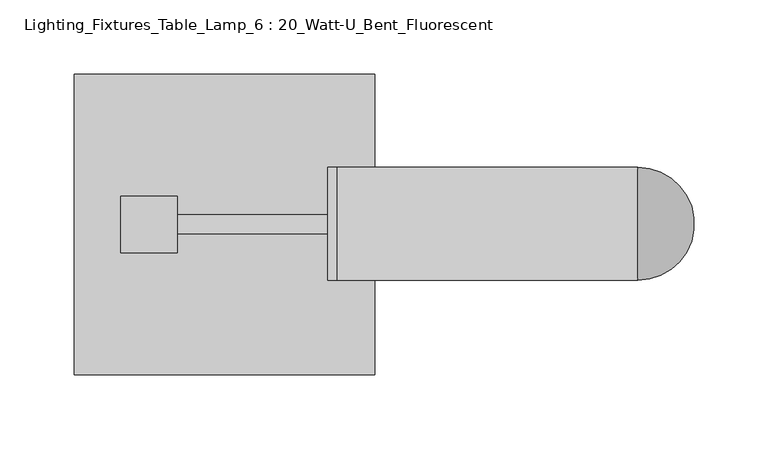
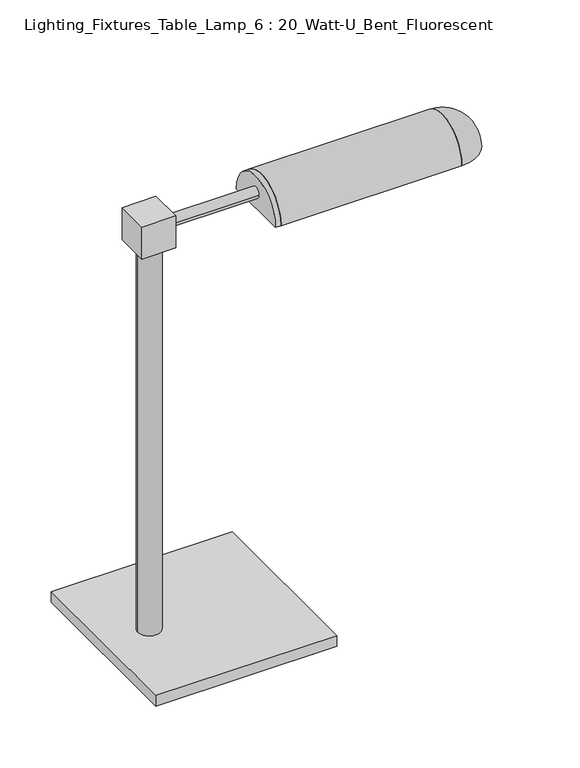
"""IFC4 building model written with IfcOpenShell, lengths in millimetres: light fixture geometry, Lighting_Fixtures_Table_Lamp_6 : 20_Watt-U_Bent_Fluorescent."""

import ifcopenshell
import ifcopenshell.guid

model = None  # the IFC model being written
_history = None  # IfcOwnerHistory: only IFC2X3 demands one
_inside = {}  # id of a spatial element -> (the spatial element, [elements in it])
_under = {}  # id of a project, library or spatial element -> (it, [spatial elements below it])
_declared = {}  # id of a project -> (the project, [libraries it declares])
_typed = {}  # id of a type object -> (the type object, [elements of that type])
_made_of = {}  # id of a material, layer set ... -> (it, [elements and type objects made of it])


def new_model(schema):
    """Start an empty IFC model of exactly this schema.

    Asked for "IFC4X3", IfcOpenShell would pick the latest addendum, in which some entities
    have other attributes; the version numbers below select the first issue.
    IFC2X3 requires an IfcOwnerHistory on every rooted entity: one is made here for all.
    """
    global model, _history
    if schema == "IFC4X3":
        model = ifcopenshell.file(schema_version=(4, 3, 0, 0))
    else:
        model = ifcopenshell.file(schema=schema)
    _inside.clear()
    _under.clear()
    _declared.clear()
    _typed.clear()
    _made_of.clear()
    _history = None
    if model.schema == "IFC2X3":
        org = make("IfcOrganization", Name="unknown")
        user = make(
            "IfcPersonAndOrganization",
            ThePerson=make("IfcPerson", FamilyName="unknown"),
            TheOrganization=org,
        )
        app = make(
            "IfcApplication",
            ApplicationDeveloper=org,
            Version="unknown",
            ApplicationFullName="unknown",
            ApplicationIdentifier="unknown",
        )
        _history = make(
            "IfcOwnerHistory",
            OwningUser=user,
            OwningApplication=app,
            ChangeAction="ADDED",
            CreationDate=0,
        )
    return model


def make(cls, **values):
    """One entity of the class cls with the attributes given. An attribute that is None is left unset."""
    return model.create_entity(
        cls, **{name: value for name, value in values.items() if value is not None}
    )


def rooted(cls, **values):
    """An entity with a GlobalId (a new one), such as an element, a storey or a relation."""
    return make(cls, GlobalId=ifcopenshell.guid.new(), OwnerHistory=_history, **values)


def si_unit(unit_type, name, prefix=None):
    """IfcSIUnit, for example si_unit("LENGTHUNIT", "METRE", prefix="MILLI")."""
    return make("IfcSIUnit", UnitType=unit_type, Prefix=prefix, Name=name)


def assignment(units):
    """IfcUnitAssignment: the units of a project."""
    return None if units is None else make("IfcUnitAssignment", Units=units)


def point(xyz):
    """IfcCartesianPoint."""
    return None if xyz is None else make("IfcCartesianPoint", Coordinates=xyz)


def direction(xyz):
    """IfcDirection."""
    return None if xyz is None else make("IfcDirection", DirectionRatios=xyz)


def frame(location, z_axis=None, x_axis=None):
    """IfcAxis2Placement3D, a coordinate frame: its origin and axes. An axis left out is left unset."""
    return make(
        "IfcAxis2Placement3D",
        Location=point(location),
        Axis=direction(z_axis),
        RefDirection=direction(x_axis),
    )


def frame_2d(location, x_axis=None):
    """IfcAxis2Placement2D, a coordinate frame in the plane: its origin and x axis."""
    return make(
        "IfcAxis2Placement2D", Location=point(location), RefDirection=direction(x_axis)
    )


def origin():
    """The frame at (0, 0, 0) with its axes left unset."""
    return frame((0.0, 0.0, 0.0))


def place(relative_to, where):
    """IfcLocalPlacement: puts the frame where relative to a parent placement (None: the world)."""
    return make(
        "IfcLocalPlacement", PlacementRelTo=relative_to, RelativePlacement=where
    )


def context(
    kind, dimensions, precision=None, world=None, true_north=None, identifier=None
):
    """IfcGeometricRepresentationContext, for example the 3D "Model" context."""
    return make(
        "IfcGeometricRepresentationContext",
        ContextIdentifier=identifier,
        ContextType=kind,
        CoordinateSpaceDimension=dimensions,
        Precision=precision,
        WorldCoordinateSystem=world,
        TrueNorth=true_north,
    )


def project(units=None, contexts=None):
    """IfcProject with its units and contexts."""
    return rooted(
        "IfcProject",
        Name="project",
        RepresentationContexts=contexts,
        UnitsInContext=assignment(units),
    )


def spatial(cls, under=None, at=None, **own):
    """A site, building, storey or space (cls), placed at a placement, below another one or the project."""
    s = rooted(cls, ObjectPlacement=at, **own)
    if under is not None:
        _under.setdefault(under.id(), (under, []))[1].append(s)
    return s


def polyline(points):
    """IfcPolyline through the points."""
    return make("IfcPolyline", Points=[point(p) for p in points])


def circle_curve(where, radius):
    """IfcCircle in the frame where."""
    return make("IfcCircle", Position=where, Radius=radius)


def ellipse_curve(where, semi_axis1, semi_axis2):
    """IfcEllipse in the frame where."""
    return make(
        "IfcEllipse", Position=where, SemiAxis1=semi_axis1, SemiAxis2=semi_axis2
    )


def trimmed(basis, trim1, trim2, sense, master):
    """IfcTrimmedCurve: the piece of a basis curve between two trims."""
    return make(
        "IfcTrimmedCurve",
        BasisCurve=basis,
        Trim1=trim1,
        Trim2=trim2,
        SenseAgreement=sense,
        MasterRepresentation=master,
    )


def segment(curve, same_sense, transition):
    """IfcCompositeCurveSegment."""
    return make(
        "IfcCompositeCurveSegment",
        Transition=transition,
        SameSense=same_sense,
        ParentCurve=curve,
    )


def composite_curve(segments, self_intersect=None):
    """IfcCompositeCurve: segments joined end to end."""
    return make("IfcCompositeCurve", Segments=segments, SelfIntersect=self_intersect)


def outline(outer, holes=None, kind="AREA"):
    """IfcArbitraryClosedProfileDef: a profile drawn as a closed curve; with holes, ...WithVoids."""
    if holes is None:
        return make("IfcArbitraryClosedProfileDef", ProfileType=kind, OuterCurve=outer)
    return make(
        "IfcArbitraryProfileDefWithVoids",
        ProfileType=kind,
        OuterCurve=outer,
        InnerCurves=holes,
    )


def extrude(swept, where, along, depth):
    """IfcExtrudedAreaSolid: the profile swept, set in the frame where, extruded along a direction by depth."""
    return make(
        "IfcExtrudedAreaSolid",
        SweptArea=swept,
        Position=where,
        ExtrudedDirection=direction(along),
        Depth=depth,
    )


def shape(context_of_items, identifier, shape_type, items):
    """IfcShapeRepresentation: the items that make up one representation, for example the "Body"."""
    return make(
        "IfcShapeRepresentation",
        ContextOfItems=context_of_items,
        RepresentationIdentifier=identifier,
        RepresentationType=shape_type,
        Items=items,
    )


def source(mapping_origin, context_of_items, identifier, shape_type, items):
    """IfcRepresentationMap: a shape defined once, which mapped items show again and again."""
    return make(
        "IfcRepresentationMap",
        MappingOrigin=mapping_origin,
        MappedRepresentation=shape(context_of_items, identifier, shape_type, items),
    )


def transform(
    local_origin,
    x_axis=None,
    y_axis=None,
    z_axis=None,
    scale=None,
    scale2=None,
    scale3=None,
    uniform=True,
):
    """IfcCartesianTransformationOperator3D, or its non-uniform kind. x_axis, y_axis, z_axis: its Axis1, 2, 3."""
    if uniform:
        return make(
            "IfcCartesianTransformationOperator3D",
            Axis1=direction(x_axis),
            Axis2=direction(y_axis),
            LocalOrigin=point(local_origin),
            Scale=scale,
            Axis3=direction(z_axis),
        )
    return make(
        "IfcCartesianTransformationOperator3DnonUniform",
        Axis1=direction(x_axis),
        Axis2=direction(y_axis),
        LocalOrigin=point(local_origin),
        Scale=scale,
        Axis3=direction(z_axis),
        Scale2=scale2,
        Scale3=scale3,
    )


def mapped(mapping_source, mapping_target):
    """IfcMappedItem: shows the shape of a source again, moved by a transform."""
    return make(
        "IfcMappedItem", MappingSource=mapping_source, MappingTarget=mapping_target
    )


def made_of(thing, what):
    """Note that an element or type object is made of a material, layer set ...; save() writes the relation."""
    if what is not None:
        _made_of.setdefault(what.id(), (what, []))[1].append(thing)
    return thing


def element(
    cls,
    number,
    at=None,
    inside=None,
    cuts=None,
    type_object=None,
    material=None,
    context=None,
    identifier="Body",
    shape_type=None,
    held_by="IfcProductDefinitionShape",
    body=None,
    shapes=None,
    **own,
):
    """One element of the class cls, such as IfcWall. Its Tag is "e" and its number.

    at: its placement. inside: the storey or other place that contains it. cuts: it is an
    opening in that element (IfcRelVoidsElement). A single representation is given by context,
    identifier, shape_type and body (its items); several are given by shapes. held_by: the class
    of the entity that holds the representations. save() writes the other relations.
    """
    e = rooted(cls, Tag="e%d" % number, ObjectPlacement=at, **own)
    if body is not None:
        shapes = [shape(context, identifier, shape_type, body)]
    if shapes is not None:
        e.Representation = make(held_by, Representations=shapes)
    if inside is not None:
        _inside.setdefault(inside.id(), (inside, []))[1].append(e)
    if cuts is not None:
        rooted(
            "IfcRelVoidsElement", RelatingBuildingElement=cuts, RelatedOpeningElement=e
        )
    if type_object is not None:
        _typed.setdefault(type_object.id(), (type_object, []))[1].append(e)
    return made_of(e, material)


def aggregate(whole, parts):
    """IfcRelAggregates: a whole, such as a stair, and the parts it consists of."""
    return rooted("IfcRelAggregates", RelatingObject=whole, RelatedObjects=parts)


def save(model, path):
    """Write the relations noted so far, then the file.

    IfcRelAggregates (storeys below a building ...), IfcRelContainedInSpatialStructure (elements
    in a storey), IfcRelDefinesByType, IfcRelAssociatesMaterial and IfcRelDeclares: one each for
    every whole, place, type object, material and project.
    """
    for whole, parts in _under.values():
        aggregate(whole, parts)
    for where, things in _inside.values():
        rooted(
            "IfcRelContainedInSpatialStructure",
            RelatedElements=things,
            RelatingStructure=where,
        )
    for kind, things in _typed.values():
        rooted("IfcRelDefinesByType", RelatedObjects=things, RelatingType=kind)
    for what, things in _made_of.values():
        rooted("IfcRelAssociatesMaterial", RelatedObjects=things, RelatingMaterial=what)
    for by, libraries in _declared.values():
        rooted("IfcRelDeclares", RelatingContext=by, RelatedDefinitions=libraries)
    model.write(path)


def plane_surface(at):
    """IfcPlane: the flat surface through the origin of the frame at, square to its z axis."""
    return make("IfcPlane", Position=at)


def revolved_surface(curve, axis_point, axis_direction):
    """IfcSurfaceOfRevolution: the curve turned about the line through axis_point along axis_direction."""
    return make(
        "IfcSurfaceOfRevolution",
        SweptCurve=make("IfcArbitraryOpenProfileDef", ProfileType="CURVE", Curve=curve),
        AxisPosition=make("IfcAxis1Placement", Location=point(axis_point), Axis=direction(axis_direction)),
    )


def advanced_brep(points, edges, surfaces, faces):
    """IfcAdvancedBrep: a solid bounded by faces that lie on surfaces and meet in shared edges.

    An edge is (start, end): straight between two places in points (the first is 0);
    or (start, end, curve); or (start, end, curve, False) where it runs against its curve.
    A face is (place in surfaces, loops), or (place, loops, False) where it looks against
    its surface's normal. A loop lists edges by number (the first is 1), with a minus sign
    where the edge is run from its end to its start. The first loop is the outer one.
    """
    corners = [point(p) for p in points]
    vertices = [make("IfcVertexPoint", VertexGeometry=c) for c in corners]
    made = []
    for start, end, *more in edges:
        made.append(
            make(
                "IfcEdgeCurve",
                EdgeStart=vertices[start],
                EdgeEnd=vertices[end],
                EdgeGeometry=more[0] if more else make("IfcPolyline", Points=[corners[start], corners[end]]),
                SameSense=more[1] if len(more) > 1 else True,
            )
        )
    hull = []
    for where, loops, *sense in faces:
        bounds = []
        for j, loop in enumerate(loops):
            ring = [make("IfcOrientedEdge", EdgeElement=made[abs(k) - 1], Orientation=k > 0) for k in loop]
            bounds.append(
                make(
                    "IfcFaceOuterBound" if j == 0 else "IfcFaceBound",
                    Bound=make("IfcEdgeLoop", EdgeList=ring),
                    Orientation=True,
                )
            )
        hull.append(make("IfcAdvancedFace", Bounds=bounds, FaceSurface=surfaces[where], SameSense=sense[0] if sense else True))
    return make("IfcAdvancedBrep", Outer=make("IfcClosedShell", CfsFaces=hull))


def lighting_fixtures_table_lamp_6_20_watt_u_bent_fluorescent_f9e5a679(model_context):
    return source(origin(), model_context, "Body", "SolidModel", [
        advanced_brep(
        [(279.4, 0.3949339, 520.7), (279.4, 38.4949339, 482.6), (279.4, 32.1449339, 482.6), (279.4, 0.3949339, 514.35), (279.4, -31.3550661, 482.6), (279.4, -37.7050661, 482.6)],
        [
            (0, 1, circle_curve(frame((279.4, 0.3949339, 482.6), z_axis=(-1.0, 0.0, 0.0), x_axis=(0.0, 1.0, 0.0)), 38.1)),
            (1, 2),
            (2, 3, circle_curve(frame((279.4, 0.3949339, 482.6), z_axis=(1.0, 0.0, 0.0), x_axis=(0.0, 1.0, 0.0)), 31.75)),
            (3, 0),
            (3, 4, circle_curve(frame((279.4, 0.3949339, 482.6), z_axis=(1.0, 0.0, 0.0), x_axis=(0.0, -1.0, 0.0)), 31.75)),
            (4, 5),
            (5, 0, circle_curve(frame((279.4, 0.3949339, 482.6), z_axis=(-1.0, 0.0, 0.0), x_axis=(0.0, -1.0, 0.0)), 38.1)),
            (5, 1, circle_curve(frame((279.4, 0.3949339, 482.6), z_axis=(0.0, 0.0, 1.0), x_axis=(0.0, 1.0, 0.0)), 38.1)),
            (4, 2, circle_curve(frame((279.4, 0.3949339, 482.6), z_axis=(0.0, 0.0, 1.0), x_axis=(0.0, 1.0, 0.0)), 31.75)),
        ],
        [
            plane_surface(frame((279.4, 0.3949339, 527.4887539), z_axis=(-1.0, 0.0, 0.0), x_axis=(0.0, 1.0, 0.0))),
            plane_surface(frame((279.4, 0.3949339, 527.4887539), z_axis=(-1.0, 0.0, 0.0), x_axis=(0.0, -1.0, 0.0))),
            revolved_surface(trimmed(ellipse_curve(frame((279.4, 0.3949339, 482.6), z_axis=(1.0, 0.0, 0.0), x_axis=(0.0, 1.0, 0.0)), 38.1, 38.1), [point((279.4, 38.4949339, 482.6))], [point((279.4, 0.3949339, 520.7))], True, "CARTESIAN"), (279.4, 0.3949339, 527.4887539), (0.0, 0.0, 1.0)),
            plane_surface(frame((279.4, 0.3949339, 482.6), z_axis=(0.0, 0.0, -1.0), x_axis=(0.0, 1.0, 0.0))),
            revolved_surface(trimmed(ellipse_curve(frame((279.4, 0.3949339, 482.6), z_axis=(-1.0, 0.0, 0.0), x_axis=(0.0, 1.0, 0.0)), 31.75, 31.75), [point((279.4, 0.3949339, 514.35))], [point((279.4, 32.1449339, 482.6))], True, "CARTESIAN"), (279.4, 0.3949339, 527.4887539), (0.0, 0.0, 1.0)),
        ],
        [
            (0, [[1, 2, 3, 4]]),
            (1, [[5, 6, 7, -4]]),
            (2, [[8, -1, -7]]),
            (3, [[9, -2, -8, -6]]),
            (4, [[-3, -9, -5]]),
        ],
    ),
        extrude(outline(composite_curve([segment(trimmed(circle_curve(frame_2d((0.3949339, 482.6)), 38.1), [point((-37.7050661, 482.6))], [point((38.4949339, 482.6))], False, "CARTESIAN"), True, "CONTINUOUS"), segment(polyline([(38.4949339, 482.6), (32.1449339, 482.6)]), True, "CONTINUOUS"), segment(trimmed(circle_curve(frame_2d((0.3949339, 482.6)), 31.75), [point((32.1449339, 482.6))], [point((-31.3550661, 482.6))], True, "CARTESIAN"), True, "CONTINUOUS"), segment(polyline([(-31.3550661, 482.6), (-37.7050661, 482.6)]), True, "CONTINUOUS")], self_intersect=False)), frame((76.2, 0.0, 0.0), z_axis=(1.0, 0.0, 0.0), x_axis=(0.0, 1.0, 0.0)), (0.0, 0.0, 1.0), 203.2),
        extrude(outline(composite_curve([segment(trimmed(circle_curve(frame_2d((0.3949339, 482.6)), 38.1), [point((-37.7050661, 482.6))], [point((38.4949339, 482.6))], False, "CARTESIAN"), True, "CONTINUOUS"), segment(polyline([(38.4949339, 482.6), (-37.7050661, 482.6)]), True, "CONTINUOUS")], self_intersect=False)), frame((69.85, 0.0, 0.0), z_axis=(1.0, 0.0, 0.0), x_axis=(0.0, 1.0, 0.0)), (0.0, 0.0, 1.0), 6.35),
        extrude(outline(composite_curve([segment(trimmed(circle_curve(frame_2d((0.0, 501.9459214)), 6.35), [point((-6.35, 501.9459214))], [point((6.35, 501.9459214))], False, "CARTESIAN"), True, "CONTINUOUS"), segment(trimmed(circle_curve(frame_2d((0.0, 501.9459214)), 6.35), [point((6.35, 501.9459214))], [point((-6.35, 501.9459214))], False, "CARTESIAN"), True, "CONTINUOUS")], self_intersect=False)), frame((-31.75, 0.0, 0.0), z_axis=(1.0, 0.0, 0.0), x_axis=(0.0, 1.0, 0.0)), (0.0, 0.0, 1.0), 152.4),
        extrude(outline(composite_curve([segment(trimmed(circle_curve(frame_2d((-50.4397061, 0.0)), 12.7), [point((-63.1397061, 0.0))], [point((-37.7397061, 0.0))], False, "CARTESIAN"), True, "CONTINUOUS"), segment(trimmed(circle_curve(frame_2d((-50.4397061, 0.0)), 12.7), [point((-37.7397061, 0.0))], [point((-63.1397061, 0.0))], False, "CARTESIAN"), True, "CONTINUOUS")], self_intersect=False)), frame((0.0, 0.0, 25.4), z_axis=(0.0, 0.0, 1.0), x_axis=(1.0, 0.0, 0.0)), (0.0, 0.0, 1.0), 457.2),
        extrude(outline(polyline([(-31.75, -19.05), (-69.85, -19.05), (-69.85, 19.05), (-31.75, 19.05), (-31.75, -19.05)])), frame((0.0, 0.0, 482.6), z_axis=(0.0, 0.0, 1.0), x_axis=(1.0, 0.0, 0.0)), (0.0, 0.0, 1.0), 38.1),
        advanced_brep(
        [(73.7657815, -85.1262057, 12.7), (91.3342185, -85.1262057, 12.7), (82.55, -85.1262057, 0.1548358), (82.55, -85.1262057, 12.7)],
        [
            (0, 1, circle_curve(frame((82.55, -85.1262057, 12.7), z_axis=(0.0, 0.0, -1.0), x_axis=(1.0, 0.0, 0.0)), 8.7842185)),
            (1, 2, circle_curve(frame((78.0392037, -85.1262057, 12.6612995), z_axis=(0.0, 1.0, 0.0), x_axis=(1.0, 0.0, 0.0)), 13.2950712)),
            (2, 0, circle_curve(frame((87.0607963, -85.1262057, 12.6612995), z_axis=(0.0, 1.0, 0.0), x_axis=(-1.0, 0.0, 0.0)), 13.2950712)),
            (1, 0, circle_curve(frame((82.55, -85.1262057, 12.7), z_axis=(0.0, 0.0, -1.0), x_axis=(1.0, 0.0, 0.0)), 8.7842185)),
            (3, 1),
            (0, 3),
        ],
        [
            revolved_surface(trimmed(ellipse_curve(frame((78.0392037, -85.1262057, 12.6612995), z_axis=(0.0, -1.0, 0.0), x_axis=(1.0, 0.0, 0.0)), 13.2950712, 13.2950712), [point((82.55, -85.1262057, 0.1548358))], [point((91.3342185, -85.1262057, 12.7))], True, "CARTESIAN"), (82.55, -85.1262057, 12.7), (0.0, 0.0, 1.0)),
            plane_surface(frame((82.55, -85.1262057, 12.7), z_axis=(0.0, 0.0, 1.0), x_axis=(1.0, 0.0, 0.0))),
        ],
        [
            (0, [[1, 2, 3]]),
            (0, [[4, -3, -2]]),
            (1, [[5, -1, 6]]),
            (1, [[-6, -4, -5]]),
        ],
    ),
        advanced_brep(
        [(-92.7854907, -82.9055221, 12.7), (-75.2170536, -82.9055221, 12.7), (-84.0012721, -82.9055221, 0.1548358), (-84.0012721, -82.9055221, 12.7)],
        [
            (0, 1, circle_curve(frame((-84.0012721, -82.9055221, 12.7), z_axis=(0.0, 0.0, -1.0), x_axis=(1.0, 0.0, 0.0)), 8.7842185)),
            (1, 2, circle_curve(frame((-88.5120684, -82.9055221, 12.6612995), z_axis=(0.0, 1.0, 0.0), x_axis=(1.0, 0.0, 0.0)), 13.2950712)),
            (2, 0, circle_curve(frame((-79.4904758, -82.9055221, 12.6612995), z_axis=(0.0, 1.0, 0.0), x_axis=(-1.0, 0.0, 0.0)), 13.2950712)),
            (1, 0, circle_curve(frame((-84.0012721, -82.9055221, 12.7), z_axis=(0.0, 0.0, -1.0), x_axis=(1.0, 0.0, 0.0)), 8.7842185)),
            (3, 1),
            (0, 3),
        ],
        [
            revolved_surface(trimmed(ellipse_curve(frame((-88.5120684, -82.9055221, 12.6612995), z_axis=(0.0, -1.0, 0.0), x_axis=(1.0, 0.0, 0.0)), 13.2950712, 13.2950712), [point((-84.0012721, -82.9055221, 0.1548358))], [point((-75.2170536, -82.9055221, 12.7))], True, "CARTESIAN"), (-84.0012721, -82.9055221, 12.7), (0.0, 0.0, 1.0)),
            plane_surface(frame((-84.0012721, -82.9055221, 12.7), z_axis=(0.0, 0.0, 1.0), x_axis=(1.0, 0.0, 0.0))),
        ],
        [
            (0, [[1, 2, 3]]),
            (0, [[4, -3, -2]]),
            (1, [[5, -1, 6]]),
            (1, [[-6, -4, -5]]),
        ],
    ),
        advanced_brep(
        [(-92.0452628, 82.1652942, 12.7), (-74.4768257, 82.1652942, 12.7), (-83.2610442, 82.1652942, 0.1548358), (-83.2610442, 82.1652942, 12.7)],
        [
            (0, 1, circle_curve(frame((-83.2610442, 82.1652942, 12.7), z_axis=(0.0, 0.0, -1.0), x_axis=(1.0, 0.0, 0.0)), 8.7842185)),
            (1, 2, circle_curve(frame((-87.7718406, 82.1652942, 12.6612995), z_axis=(0.0, 1.0, 0.0), x_axis=(1.0, 0.0, 0.0)), 13.2950712)),
            (2, 0, circle_curve(frame((-78.7502479, 82.1652942, 12.6612995), z_axis=(0.0, 1.0, 0.0), x_axis=(-1.0, 0.0, 0.0)), 13.2950712)),
            (1, 0, circle_curve(frame((-83.2610442, 82.1652942, 12.7), z_axis=(0.0, 0.0, -1.0), x_axis=(1.0, 0.0, 0.0)), 8.7842185)),
            (3, 1),
            (0, 3),
        ],
        [
            revolved_surface(trimmed(ellipse_curve(frame((-87.7718406, 82.1652942, 12.6612995), z_axis=(0.0, -1.0, 0.0), x_axis=(1.0, 0.0, 0.0)), 13.2950712, 13.2950712), [point((-83.2610442, 82.1652942, 0.1548358))], [point((-74.4768257, 82.1652942, 12.7))], True, "CARTESIAN"), (-83.2610442, 82.1652942, 12.7), (0.0, 0.0, 1.0)),
            plane_surface(frame((-83.2610442, 82.1652942, 12.7), z_axis=(0.0, 0.0, 1.0), x_axis=(1.0, 0.0, 0.0))),
        ],
        [
            (0, [[1, 2, 3]]),
            (0, [[4, -3, -2]]),
            (1, [[5, -1, 6]]),
            (1, [[-6, -4, -5]]),
        ],
    ),
        advanced_brep(
        [(73.0255536, 81.4250664, 12.7), (90.5939907, 81.4250664, 12.7), (81.8097721, 81.4250664, 0.1548358), (81.8097721, 81.4250664, 12.7)],
        [
            (0, 1, circle_curve(frame((81.8097721, 81.4250664, 12.7), z_axis=(0.0, 0.0, -1.0), x_axis=(1.0, 0.0, 0.0)), 8.7842185)),
            (1, 2, circle_curve(frame((77.2989758, 81.4250664, 12.6612995), z_axis=(0.0, 1.0, 0.0), x_axis=(1.0, 0.0, 0.0)), 13.2950712)),
            (2, 0, circle_curve(frame((86.3205684, 81.4250664, 12.6612995), z_axis=(0.0, 1.0, 0.0), x_axis=(-1.0, 0.0, 0.0)), 13.2950712)),
            (1, 0, circle_curve(frame((81.8097721, 81.4250664, 12.7), z_axis=(0.0, 0.0, -1.0), x_axis=(1.0, 0.0, 0.0)), 8.7842185)),
            (3, 1),
            (0, 3),
        ],
        [
            revolved_surface(trimmed(ellipse_curve(frame((77.2989758, 81.4250664, 12.6612995), z_axis=(0.0, -1.0, 0.0), x_axis=(1.0, 0.0, 0.0)), 13.2950712, 13.2950712), [point((81.8097721, 81.4250664, 0.1548358))], [point((90.5939907, 81.4250664, 12.7))], True, "CARTESIAN"), (81.8097721, 81.4250664, 12.7), (0.0, 0.0, 1.0)),
            plane_surface(frame((81.8097721, 81.4250664, 12.7), z_axis=(0.0, 0.0, 1.0), x_axis=(1.0, 0.0, 0.0))),
        ],
        [
            (0, [[1, 2, 3]]),
            (0, [[4, -3, -2]]),
            (1, [[5, -1, 6]]),
            (1, [[-6, -4, -5]]),
        ],
    ),
        extrude(outline(polyline([(101.6, 101.6), (101.6, -101.6), (-101.6, -101.6), (-101.6, 101.6), (101.6, 101.6)])), frame((0.0, 0.0, 12.7), z_axis=(0.0, 0.0, 1.0), x_axis=(1.0, 0.0, 0.0)), (0.0, 0.0, 1.0), 12.7),
    ])


if __name__ == "__main__":
    model = new_model("IFC4")
    model_context = context("Model", 3, world=origin())
    ifc_project = project(units=[si_unit("LENGTHUNIT", "METRE", prefix="MILLI")], contexts=[model_context])
    site = spatial("IfcSite", under=ifc_project)
    building = spatial("IfcBuilding", under=site)
    placement = place(None, origin())
    lighting_fixtures_table_lamp_6_20_watt_u_bent_fluorescent_shape = lighting_fixtures_table_lamp_6_20_watt_u_bent_fluorescent_f9e5a679(model_context)
    element("IfcLightFixture", 1, ObjectType="Lighting_Fixtures_Table_Lamp_6 : 20_Watt-U_Bent_Fluorescent", at=placement, inside=building, context=model_context, shape_type="MappedRepresentation", body=[
        mapped(lighting_fixtures_table_lamp_6_20_watt_u_bent_fluorescent_shape, transform((0.0, 0.0, 0.0), x_axis=(1.0, 0.0, 0.0), y_axis=(0.0, 1.0, 0.0), z_axis=(0.0, 0.0, 1.0))),
    ])
    save(model, "model.ifc")
